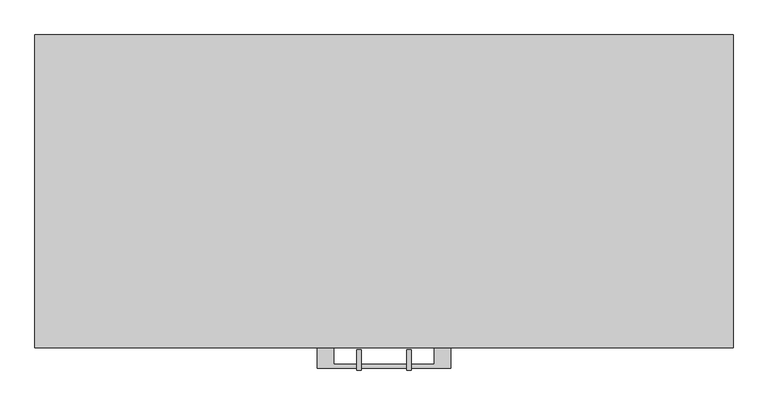
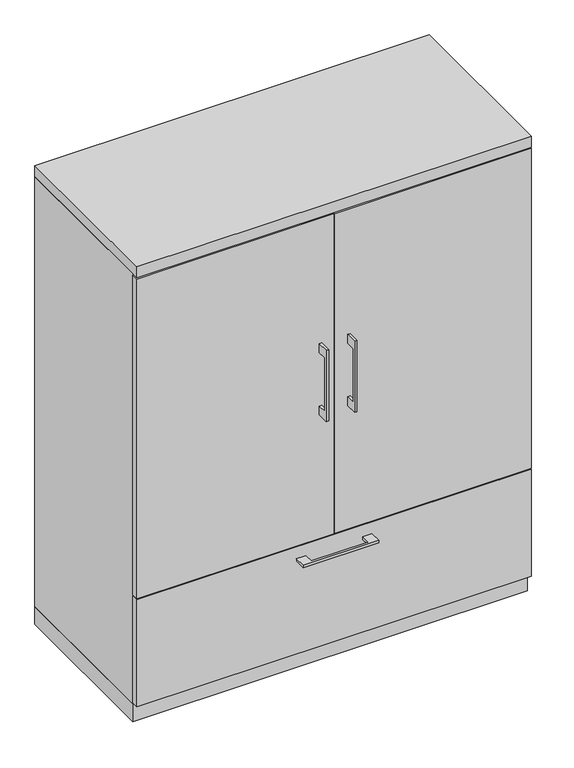
"""IFC4 building model written with IfcOpenShell, lengths in millimetres: furniture geometry."""

from ifc_helpers import new_model, si_unit, frame, origin, origin_with_axes, place, context, project, spatial, polyline, outline, extrude, source, transform, mapped, element, save


def furniture_71cf4996(model_context):
    return source(origin(), model_context, "Body", "SweptSolid", [
        extrude(outline(polyline([(512.7625, -19.05), (512.7625, -457.2), (-512.7625, -457.2), (-512.7625, -19.05), (512.7625, -19.05)])), frame((0.0, 0.0, 962.025), z_axis=(0.0, 0.0, 1.0), x_axis=(1.0, 0.0, 0.0)), (0.0, 0.0, 1.0), 19.05),
        extrude(outline(polyline([(-479.425, 893.7625), (-504.8249758, 893.7625), (-504.8249758, 741.3625), (-479.425, 741.3625), (-479.425, 715.9625), (-511.1749879, 715.9625), (-511.1749879, 919.1625), (-479.425, 919.1625), (-479.425, 893.7625)])), frame((-41.2749879, 0.0, 0.0), z_axis=(1.0, 0.0, 0.0), x_axis=(0.0, 1.0, 0.0)), (0.0, 0.0, 1.0), 6.3499758),
        extrude(outline(polyline([(-531.8125, -476.25), (-531.8125, -457.2), (-1.5875, -457.2), (-1.5875, -476.25), (-531.8125, -476.25)])), frame((0.0, 0.0, 361.95), z_axis=(0.0, 0.0, 1.0), x_axis=(1.0, 0.0, 0.0)), (0.0, 0.0, 1.0), 911.225),
        extrude(outline(polyline([(-479.425, 893.7625), (-504.8249758, 893.7625), (-504.8249758, 741.3625), (-479.425, 741.3625), (-479.425, 715.9625), (-511.1749879, 715.9625), (-511.1749879, 919.1625), (-479.425, 919.1625), (-479.425, 893.7625)])), frame((34.9250121, 0.0, 0.0), z_axis=(1.0, 0.0, 0.0), x_axis=(0.0, 1.0, 0.0)), (0.0, 0.0, 1.0), 6.3499758),
        extrude(outline(polyline([(531.8125, -476.25), (1.5875, -476.25), (1.5875, -457.2), (531.8125, -457.2), (531.8125, -476.25)])), frame((0.0, 0.0, 361.95), z_axis=(0.0, 0.0, 1.0), x_axis=(1.0, 0.0, 0.0)), (0.0, 0.0, 1.0), 911.225),
        extrude(outline(polyline([(512.7625, -19.05), (512.7625, -457.2), (-512.7625, -457.2), (-512.7625, -19.05), (512.7625, -19.05)])), frame((0.0, 0.0, 657.225), z_axis=(0.0, 0.0, 1.0), x_axis=(1.0, 0.0, 0.0)), (0.0, 0.0, 1.0), 19.05),
        extrude(outline(polyline([(-76.1999818, -476.25), (-76.1999818, -501.6499758), (76.2, -501.6499758), (76.2, -476.25), (101.5999939, -476.25), (101.5999939, -507.9999879), (-101.5999939, -507.9999879), (-101.5999939, -476.25), (-76.1999818, -476.25)])), frame((0.0, 0.0, 319.0875506), z_axis=(0.0, 0.0, 1.0), x_axis=(1.0, 0.0, 0.0)), (0.0, 0.0, 1.0), 6.3499758),
        extrude(outline(polyline([(531.8125, -457.2), (531.8125, -476.25), (-531.8125, -476.25), (-531.8125, -457.2), (531.8125, -457.2)])), frame((0.0, 0.0, 53.975), z_axis=(0.0, 0.0, 1.0), x_axis=(1.0, 0.0, 0.0)), (0.0, 0.0, 1.0), 304.8),
        extrude(outline(polyline([(512.7625, -19.05), (512.7625, -457.2), (-512.7625, -457.2), (-512.7625, -19.05), (512.7625, -19.05)])), frame((0.0, 0.0, 50.8), z_axis=(0.0, 0.0, 1.0), x_axis=(1.0, 0.0, 0.0)), (0.0, 0.0, 1.0), 311.15),
        extrude(outline(polyline([(-531.8125, 0.0), (531.8125, 0.0), (531.8125, -457.2), (512.7625, -457.2), (512.7625, -19.05), (-512.7625, -19.05), (-512.7625, -457.2), (-531.8125, -457.2), (-531.8125, 0.0)])), frame((0.0, 0.0, 50.8), z_axis=(0.0, 0.0, 1.0), x_axis=(1.0, 0.0, 0.0)), (0.0, 0.0, 1.0), 1225.55),
        extrude(outline(polyline([(531.8125, 0.0), (531.8125, -476.25), (-531.8125, -476.25), (-531.8125, 0.0), (531.8125, 0.0)])), frame((0.0, 0.0, 1276.35), z_axis=(0.0, 0.0, 1.0), x_axis=(1.0, 0.0, 0.0)), (0.0, 0.0, 1.0), 31.75),
        extrude(outline(polyline([(531.8125, 0.0), (531.8125, -457.2), (-531.8125, -457.2), (-531.8125, 0.0), (531.8125, 0.0)])), origin_with_axes(), (0.0, 0.0, 1.0), 50.8),
    ])


if __name__ == "__main__":
    model = new_model("IFC4")
    model_context = context("Model", 3, world=origin())
    ifc_project = project(units=[si_unit("LENGTHUNIT", "METRE", prefix="MILLI")], contexts=[model_context])
    site = spatial("IfcSite", under=ifc_project)
    building = spatial("IfcBuilding", under=site)
    placement = place(None, origin())
    furniture_shape = furniture_71cf4996(model_context)
    element("IfcFurniture", 1, at=placement, inside=building, context=model_context, shape_type="MappedRepresentation", body=[
        mapped(furniture_shape, transform((0.0, 0.0, 0.0), x_axis=(1.0, 0.0, 0.0), y_axis=(0.0, 1.0, 0.0), z_axis=(0.0, 0.0, 1.0))),
    ])
    save(model, "model.ifc")
